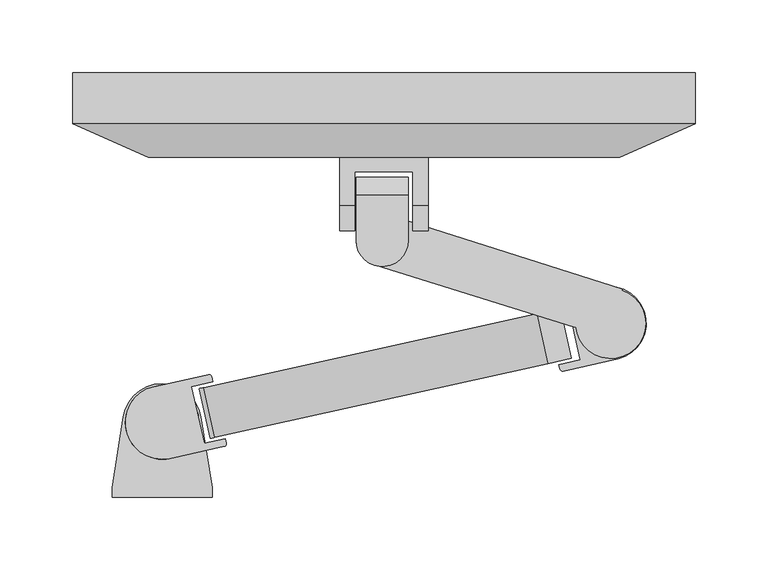
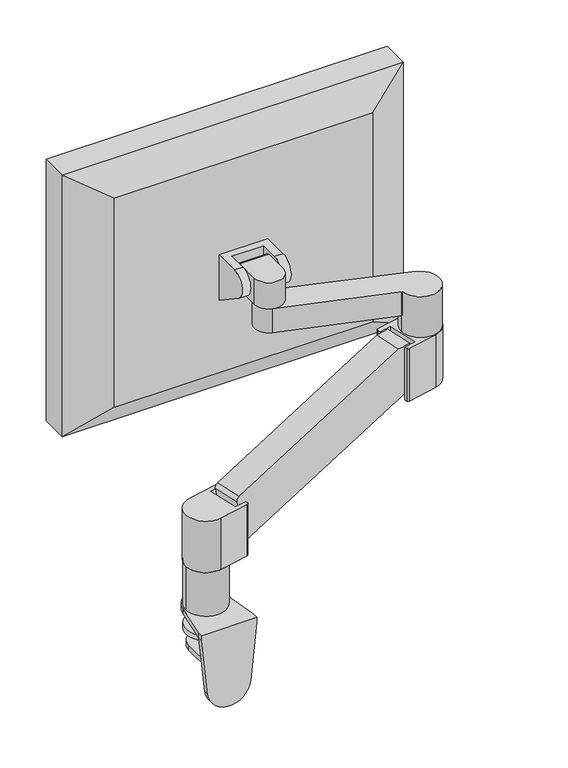
"""IFC4 building model written with IfcOpenShell, lengths in millimetres: furniture geometry."""

from ifc_helpers import new_model, si_unit, point, frame, frame_2d, origin, place, context, project, spatial, polyline, circle_curve, trimmed, segment, composite_curve, outline, extrude, faceted_brep, source, transform, mapped, element, save
from ifc_brep_helpers import plane_surface, cylinder_surface, advanced_brep


def furniture_77c8bb1c(model_context):
    return source(origin(), model_context, "Body", "SolidModel", [
        extrude(outline(polyline([(-44.1333255, 256.6286571), (-44.1333255, 274.0122003), (349.1946507, 274.0122003), (349.1946507, 256.6286571), (-44.1333255, 256.6286571)])), frame((0.0, 0.0, 871.6608416), z_axis=(0.0, 0.0, 1.0), x_axis=(1.0, 0.0, 0.0)), (0.0, 0.0, 1.0), 312.3235881),
        advanced_brep(
        [(169.1395731, 176.4515428, 1045.3114695), (169.1395731, 207.3400663, 1045.3114695), (133.2670216, 207.3400663, 1045.3114695), (133.2670216, 176.4515428, 1045.3114695), (133.2670216, 176.4515428, 1010.6477305), (133.2670216, 206.1304139, 1010.6477305), (169.1395731, 206.1304139, 1010.6477305), (169.1395731, 176.4515428, 1010.6477305)],
        [
            (0, 1),
            (1, 2),
            (2, 3),
            (3, 0, circle_curve(frame((151.2032973, 176.4515428, 1045.3114695), z_axis=(0.0, 0.0, 1.0), x_axis=(1.0, 0.0, 0.0)), 17.9362758)),
            (4, 5),
            (5, 6),
            (6, 7),
            (7, 4, circle_curve(frame((151.2032973, 176.4515428, 1010.6477305), z_axis=(0.0, 0.0, -1.0), x_axis=(1.0, 0.0, 0.0)), 17.9362758)),
            (6, 1, circle_curve(frame((169.1395731, 201.9173343, 1028.1477293), z_axis=(1.0, 0.0, 0.0), x_axis=(0.0, 1.0, 0.0)), 18.0)),
            (0, 7),
            (3, 4),
            (2, 5, circle_curve(frame((133.2670216, 201.9173343, 1028.1477293), z_axis=(-1.0, 0.0, 0.0), x_axis=(0.0, 1.0, 0.0)), 18.0)),
        ],
        [
            plane_surface(frame((133.2670216, 223.0031284, 1045.3114695), z_axis=(0.0, 0.0, 1.0), x_axis=(1.0, 0.0, 0.0))),
            plane_surface(frame((133.2670216, 223.0031284, 1010.6477305), z_axis=(0.0, 0.0, -1.0), x_axis=(-1.0, 0.0, 0.0))),
            plane_surface(frame((169.1395731, 223.0031284, 1045.3114695), z_axis=(1.0, 0.0, 0.0), x_axis=(0.0, 0.0, -1.0))),
            cylinder_surface(frame((151.2032973, 176.4515428, 1010.6477305), z_axis=(0.0, 0.0, 1.0), x_axis=(1.0, 0.0, 0.0)), 17.9362758),
            plane_surface(frame((133.2670216, 176.4515428, 1045.3114695), z_axis=(-1.0, 0.0, 0.0), x_axis=(0.0, 0.0, -1.0))),
            cylinder_surface(frame((-2.3e-06, 201.9173343, 1028.1477293), z_axis=(-1.0, 0.0, 0.0), x_axis=(0.0, 1.0, 0.0)), 18.0),
        ],
        [
            (0, [[1, 2, 3, 4]]),
            (1, [[5, 6, 7, 8]]),
            (2, [[-7, 9, -1, 10]]),
            (3, [[11, -8, -10, -4]]),
            (4, [[-3, 12, -5, -11]]),
            (5, [[-9, -6, -12, -2]]),
        ],
    ),
        advanced_brep(
        [(182.9563375, 200.470014, 1045.6477282), (182.9563375, 190.8257547, 1013.6176634), (182.9563375, 233.5899466, 985.2975052), (182.9563375, 233.5899466, 1045.6477282), (121.935618, 200.470014, 1045.6477282), (121.935618, 233.5899466, 1045.6477282), (121.935618, 233.5899466, 985.2975052), (121.935618, 190.8257547, 1013.6176634), (132.2754449, 200.470014, 1045.6477282), (132.2754449, 223.6495093, 1045.6477282), (172.2754449, 223.6495093, 1045.6477282), (172.2754449, 200.470014, 1045.6477282), (172.2754449, 190.8257547, 1013.6176634), (172.2754449, 223.6495093, 991.8804604), (132.2754449, 223.6495093, 991.8804604), (132.2754449, 190.8257547, 1013.6176634)],
        [
            (0, 1, circle_curve(frame((182.9563375, 200.470014, 1028.1807515), z_axis=(1.0, 0.0, 0.0), x_axis=(0.0, 1.0, 0.0)), 17.4669767)),
            (1, 2),
            (2, 3),
            (3, 0),
            (4, 5),
            (5, 6),
            (6, 7),
            (7, 4, circle_curve(frame((121.935618, 200.470014, 1028.1807515), z_axis=(-1.0, 0.0, 0.0), x_axis=(0.0, 1.0, 0.0)), 17.4669767)),
            (3, 5),
            (4, 8),
            (8, 9),
            (9, 10),
            (10, 11),
            (11, 0),
            (2, 6),
            (1, 12),
            (12, 13),
            (13, 14),
            (14, 15),
            (15, 7),
            (11, 12, circle_curve(frame((172.2754449, 200.470014, 1028.1807515), z_axis=(1.0, 0.0, 0.0), x_axis=(0.0, 1.0, 0.0)), 17.4669767)),
            (15, 8, circle_curve(frame((132.2754449, 200.470014, 1028.1807515), z_axis=(-1.0, 0.0, 0.0), x_axis=(0.0, 1.0, 0.0)), 17.4669767)),
            (10, 13),
            (14, 9),
        ],
        [
            plane_surface(frame((182.9563375, 234.7221306, 1045.6477282), z_axis=(1.0, 0.0, 0.0), x_axis=(0.0, 1.0, 0.0))),
            plane_surface(frame((121.935618, 234.7221306, 1045.6477282), z_axis=(-1.0, 0.0, 0.0), x_axis=(0.0, -1.0, 0.0))),
            plane_surface(frame((182.9563375, 200.470014, 1045.6477282), z_axis=(0.0, 0.0, 1.0), x_axis=(-1.0, 0.0, 0.0))),
            plane_surface(frame((182.9563375, 233.5899466, 1045.6477282), z_axis=(0.0, 1.0, 0.0), x_axis=(-1.0, 0.0, 0.0))),
            plane_surface(frame((182.9563375, 233.5899466, 985.2975052), z_axis=(0.0, -0.5521424538056785, -0.8337497890287255), x_axis=(-1.0, 0.0, 0.0))),
            cylinder_surface(frame((121.935618, 200.470014, 1028.1807515), z_axis=(1.0, 0.0, 0.0), x_axis=(0.0, 1.0, 0.0)), 17.4669767),
            plane_surface(frame((172.2754449, 223.6495093, 1083.7182666), z_axis=(-1.0, 0.0, 0.0), x_axis=(0.0, 0.0, -1.0))),
            plane_surface(frame((132.2754449, 178.6495093, 1083.7182666), z_axis=(1.0, 0.0, 0.0), x_axis=(0.0, 0.0, -1.0))),
            plane_surface(frame((132.2754449, 223.6495093, 1083.7182666), z_axis=(0.0, -1.0, 0.0), x_axis=(0.0, 0.0, -1.0))),
        ],
        [
            (0, [[1, 2, 3, 4]]),
            (1, [[5, 6, 7, 8]]),
            (2, [[9, -5, 10, 11, 12, 13, 14, -4]]),
            (3, [[15, -6, -9, -3]]),
            (4, [[16, 17, 18, 19, 20, -7, -15, -2]]),
            (5, [[-14, 21, -16, -1]]),
            (5, [[-20, 22, -10, -8]]),
            (6, [[-17, -21, -13, 23]]),
            (7, [[-11, -22, -19, 24]]),
            (8, [[-12, -24, -18, -23]]),
        ],
    ),
        advanced_brep(
        [(145.7812994, 159.6192317, 1010.6477305), (283.5004057, 116.6216152, 1010.6477305), (284.4042643, 117.3318424, 1010.6477305), (332.3843378, 119.3385852, 1010.6477305), (315.9664147, 142.1325084, 1010.6477305), (316.7165495, 142.7219436, 1010.6477305), (156.4933681, 193.6292716, 1010.6477305), (145.7812994, 159.6192317, 978.6477254), (156.4933681, 193.6292716, 978.6477254), (316.7165495, 142.7219436, 978.6477254), (315.9664147, 142.1325084, 978.6477254), (284.3203333, 119.3385852, 978.6477254), (284.4042643, 117.3318424, 978.6477254), (283.5004057, 116.6216152, 978.6477254), (284.3203333, 119.3385852, 956.6383946), (332.3843378, 119.3385852, 956.6383946)],
        [
            (0, 1),
            (1, 2),
            (2, 3, circle_curve(frame((308.3523355, 119.3385852, 1010.6477305), z_axis=(0.0, 0.0, 1.0), x_axis=(1.0, 0.0, 0.0)), 24.0320023)),
            (3, 4, circle_curve(frame((308.3523355, 119.3385852, 1010.6477305), z_axis=(0.0, 0.0, 1.0), x_axis=(1.0, 0.0, 0.0)), 24.0320023)),
            (4, 5),
            (5, 6),
            (6, 0, circle_curve(frame((151.0946731, 176.6376884, 1010.6477305), z_axis=(0.0, 0.0, 1.0), x_axis=(1.0, 0.0, 0.0)), 17.8286233)),
            (7, 8, circle_curve(frame((151.0946731, 176.6376884, 978.6477254), z_axis=(0.0, 0.0, -1.0), x_axis=(1.0, 0.0, 0.0)), 17.8286233)),
            (8, 9),
            (9, 10),
            (10, 11, circle_curve(frame((308.3523355, 119.3385852, 978.6477254), z_axis=(0.0, 0.0, 1.0), x_axis=(1.0, 0.0, 0.0)), 24.0320023)),
            (11, 12, circle_curve(frame((308.3523355, 119.3385852, 978.6477254), z_axis=(0.0, 0.0, 1.0), x_axis=(1.0, 0.0, 0.0)), 24.0320023)),
            (12, 13),
            (13, 7),
            (6, 8),
            (7, 0),
            (5, 9),
            (4, 10),
            (12, 2),
            (1, 13),
            (14, 15, circle_curve(frame((308.3523355, 119.3385852, 956.6383946), z_axis=(0.0, 0.0, -1.0), x_axis=(1.0, 0.0, 0.0)), 24.0320023)),
            (15, 14, circle_curve(frame((308.3523355, 119.3385852, 956.6383946), z_axis=(0.0, 0.0, -1.0), x_axis=(1.0, 0.0, 0.0)), 24.0320023)),
            (14, 11),
            (3, 15),
        ],
        [
            plane_surface(frame((168.9232963, 176.6376884, 1010.6477305), z_axis=(0.0, 0.0, 1.0), x_axis=(0.0, -1.0, 0.0))),
            plane_surface(frame((168.9232963, 176.6376884, 978.6477254), z_axis=(0.0, 0.0, -1.0), x_axis=(0.0, 1.0, 0.0))),
            cylinder_surface(frame((151.0946731, 176.6376884, 978.6477254), z_axis=(0.0, 0.0, 1.0), x_axis=(1.0, 0.0, 0.0)), 17.8286233),
            plane_surface(frame((156.4933681, 193.6292716, 1010.6477305), z_axis=(0.3028105419303104, 0.9530507728845677, 0.0), x_axis=(0.0, 0.0, -1.0))),
            plane_surface(frame((316.7165495, 142.7219436, 1010.6477305), z_axis=(0.6178497948843642, -0.7862961471108383, 0.0), x_axis=(0.0, 0.0, -1.0))),
            plane_surface(frame((283.5004057, 116.6216152, 1010.6477305), z_axis=(-0.2980249007404013, -0.954558095947373, 0.0), x_axis=(0.0, 0.0, -1.0))),
            plane_surface(frame((332.3843378, 119.3385852, 956.6383946), z_axis=(0.0, 0.0, -1.0), x_axis=(0.0, 1.0, 0.0))),
            cylinder_surface(frame((308.3523355, 119.3385852, 956.6383946), z_axis=(0.0, 0.0, 1.0), x_axis=(1.0, 0.0, 0.0)), 24.0320023),
        ],
        [
            (0, [[1, 2, 3, 4, 5, 6, 7]]),
            (1, [[8, 9, 10, 11, 12, 13, 14]]),
            (2, [[15, -8, 16, -7]]),
            (3, [[17, -9, -15, -6]]),
            (4, [[-5, 18, -10, -17]]),
            (4, [[-13, 19, -2, 20]]),
            (5, [[-16, -14, -20, -1]]),
            (6, [[21, 22]]),
            (7, [[23, -11, -18, -4, 24, -21]]),
            (7, [[-24, -3, -19, -12, -23, -22]]),
        ],
    ),
        extrude(outline(composite_curve([segment(trimmed(circle_curve(frame_2d((-249.1450548, 4.9378464)), 4.9378464), [point((-249.1450549, 0.0))], [point((-254.0828438, 4.961665))], False, "CARTESIAN"), True, "CONTINUOUS"), segment(polyline([(-254.0828438, 4.961665), (-263.7146924, 62.415542), (-4.98714, 62.4155258), (15.5329474, 5.6111415), (0.0, 0.0), (-249.1450549, 0.0)]), True, "CONTINUOUS")], self_intersect=False)), frame((265.0417441, 91.8149034, 956.3753161), z_axis=(-0.21638159381502303, 0.9763088680628024, 0.0), x_axis=(0.9182329294961059, 0.2035100891504185, 0.3397527495149792)), (0.0, 0.0, 1.0), 34.9999995),
        extrude(outline(composite_curve([segment(trimmed(circle_curve(frame_2d((307.3821478, 119.5657505)), 25.3111522), [point((301.9414766, 144.2852473))], [point((313.4538172, 94.9936269))], False, "CARTESIAN"), True, "CONTINUOUS"), segment(polyline([(313.4538172, 94.9936269), (275.8285549, 86.6546542)]), True, "CONTINUOUS"), segment(trimmed(circle_curve(frame_2d((275.3946523, 88.6124132)), 2.005266), [point((275.8285549, 86.6546542))], [point((273.4368934, 88.1785105))], False, "CARTESIAN"), True, "CONTINUOUS"), segment(polyline([(273.4368934, 88.1785105), (272.7888884, 91.1022937), (287.4335231, 94.3480183), (278.7782584, 133.4003733), (264.1336256, 130.1546492), (263.3514267, 133.6839123)]), True, "CONTINUOUS"), segment(trimmed(circle_curve(frame_2d((265.3040445, 134.1166756)), 2.0), [point((263.3514267, 133.6839123))], [point((264.8712812, 136.0692933))], False, "CARTESIAN"), True, "CONTINUOUS"), segment(polyline([(264.8712812, 136.0692933), (301.9414766, 144.2852473)]), True, "CONTINUOUS")], self_intersect=False)), frame((0.0, 0.0, 886.6477259), z_axis=(0.0, 0.0, 1.0), x_axis=(1.0, 0.0, 0.0)), (0.0, 0.0, 1.0), 69.9906687),
        extrude(outline(composite_curve([segment(polyline([(-5.5130543, 76.0123482), (31.5571414, 84.2283007)]), True, "CONTINUOUS"), segment(trimmed(circle_curve(frame_2d((31.9899046, 82.275683)), 2.0), [point((31.5571414, 84.2283007))], [point((33.9425223, 82.7084461))], False, "CARTESIAN"), True, "CONTINUOUS"), segment(polyline([(33.9425223, 82.7084461), (34.724721, 79.1791829), (20.080088, 75.9334593), (28.7353511, 36.8811039), (43.3799858, 40.1268279), (44.0279906, 37.2030446)]), True, "CONTINUOUS"), segment(trimmed(circle_curve(frame_2d((42.0702317, 36.769142)), 2.005266), [point((44.0279906, 37.2030446))], [point((42.5041344, 34.8113831))], False, "CARTESIAN"), True, "CONTINUOUS"), segment(polyline([(42.5041344, 34.8113831), (4.8788726, 26.472408)]), True, "CONTINUOUS"), segment(trimmed(circle_curve(frame_2d((-2.3e-06, 51.3088933)), 25.3111522), [point((4.8788726, 26.472408))], [point((-5.5130543, 76.0123482))], False, "CARTESIAN"), True, "CONTINUOUS")], self_intersect=False)), frame((0.0, 0.0, 795.000011), z_axis=(0.0, 0.0, 1.0), x_axis=(1.0, 0.0, 0.0)), (0.0, 0.0, 1.0), 68.0336423),
        extrude(outline(composite_curve([segment(trimmed(circle_curve(frame_2d((-2.3e-06, 51.3088933)), 25.2903664), [point((-25.2903687, 51.3088933))], [point((25.2903641, 51.3088933))], False, "CARTESIAN"), True, "CONTINUOUS"), segment(trimmed(circle_curve(frame_2d((-2.3e-06, 51.3088933)), 25.2903664), [point((25.2903641, 51.3088933))], [point((-25.2903687, 51.3088933))], False, "CARTESIAN"), True, "CONTINUOUS")], self_intersect=False)), frame((0.0, 0.0, 736.9802973), z_axis=(0.0, 0.0, 1.0), x_axis=(1.0, 0.0, 0.0)), (0.0, 0.0, 1.0), 58.0197137),
        advanced_brep(
        [(-2.3e-06, 26.4999984, 704.3925121), (-2.3e-06, 26.4999984, 710.8925133), (-2.3e-06, 76.4999993, 710.8925133), (-2.3e-06, 76.4999993, 704.3925121), (-2.3e-06, 44.7499991, 704.3925121), (-2.3e-06, 58.2499986, 704.3925121), (-2.3e-06, 44.7499991, 666.3925136), (-2.3e-06, 58.2499986, 666.3925136), (-2.3e-06, 51.4999988, 666.3925136), (-2.3e-06, 51.4999988, 710.8925133)],
        [
            (0, 1),
            (1, 2, circle_curve(frame((-2.3e-06, 51.4999988, 710.8925133), z_axis=(0.0, 0.0, -1.0), x_axis=(0.0, 1.0, 0.0)), 25.0000004)),
            (2, 3),
            (3, 0, circle_curve(frame((-2.3e-06, 51.4999988, 704.3925121), z_axis=(0.0, 0.0, 1.0), x_axis=(0.0, 1.0, 0.0)), 25.0000004)),
            (2, 1, circle_curve(frame((-2.3e-06, 51.4999988, 710.8925133), z_axis=(0.0, 0.0, -1.0), x_axis=(0.0, 1.0, 0.0)), 25.0000004)),
            (0, 3, circle_curve(frame((-2.3e-06, 51.4999988, 704.3925121), z_axis=(0.0, 0.0, 1.0), x_axis=(0.0, 1.0, 0.0)), 25.0000004)),
            (4, 0),
            (3, 5),
            (5, 4, circle_curve(frame((-2.3e-06, 51.4999988, 704.3925121), z_axis=(0.0, 0.0, 1.0), x_axis=(0.0, 1.0, 0.0)), 6.7499998)),
            (4, 5, circle_curve(frame((-2.3e-06, 51.4999988, 704.3925121), z_axis=(0.0, 0.0, 1.0), x_axis=(0.0, 1.0, 0.0)), 6.7499998)),
            (6, 4),
            (5, 7),
            (7, 6, circle_curve(frame((-2.3e-06, 51.4999988, 666.3925136), z_axis=(0.0, 0.0, 1.0), x_axis=(0.0, 1.0, 0.0)), 6.7499998)),
            (6, 7, circle_curve(frame((-2.3e-06, 51.4999988, 666.3925136), z_axis=(0.0, 0.0, 1.0), x_axis=(0.0, 1.0, 0.0)), 6.7499998)),
            (8, 6),
            (7, 8),
            (1, 9),
            (9, 2),
        ],
        [
            cylinder_surface(frame((-2.3e-06, 51.4999988, 666.3925136), z_axis=(0.0, 0.0, -1.0), x_axis=(0.0, 1.0, 0.0)), 25.0000004),
            plane_surface(frame((-2.3e-06, 51.4999988, 704.3925121), z_axis=(0.0, 0.0, -1.0), x_axis=(0.0, 1.0, 0.0))),
            cylinder_surface(frame((-2.3e-06, 51.4999988, 666.3925136), z_axis=(0.0, 0.0, -1.0), x_axis=(0.0, 1.0, 0.0)), 6.7499998),
            plane_surface(frame((-2.3e-06, 51.4999988, 666.3925136), z_axis=(0.0, 0.0, -1.0), x_axis=(0.0, 1.0, 0.0))),
            plane_surface(frame((-2.3e-06, 51.4999988, 710.8925133), z_axis=(0.0, 0.0, 1.0), x_axis=(0.0, 1.0, 0.0))),
        ],
        [
            (0, [[1, 2, 3, 4]]),
            (0, [[-3, 5, -1, 6]]),
            (1, [[7, -4, 8, 9]]),
            (1, [[-8, -6, -7, 10]]),
            (2, [[11, -9, 12, 13]]),
            (2, [[-12, -10, -11, 14]]),
            (3, [[15, -13, 16]]),
            (3, [[-16, -14, -15]]),
            (4, [[17, 18, -2]]),
            (4, [[-18, -17, -5]]),
        ],
    ),
        extrude(outline(composite_curve([segment(trimmed(circle_curve(frame_2d((659.0022551, -2.3e-06)), 8.5000148), [point((659.0022551, -8.5000171))], [point((659.0022551, 8.5000124))], False, "CARTESIAN"), True, "CONTINUOUS"), segment(trimmed(circle_curve(frame_2d((659.0022551, -2.3e-06)), 8.5000148), [point((659.0022551, 8.5000124))], [point((659.0022551, -8.5000171))], False, "CARTESIAN"), True, "CONTINUOUS")], self_intersect=False), holes=[polyline([(663.0022557, 2.3093987), (659.0022551, 4.6187998), (655.0022544, 2.3093987), (655.0022544, -2.3094034), (659.0022551, -4.6188044), (663.0022557, -2.3094034), (663.0022557, 2.3093987)])]), frame((0.0, 12.9999995, 0.0), z_axis=(0.0, 1.0, 0.0), x_axis=(0.0, 0.0, 1.0)), (0.0, 0.0, 1.0), 9.9999996),
        advanced_brep(
        [(-26.6606392, 55.2793753, 730.4802975), (26.6606346, 55.2793753, 730.4802975), (34.4999968, 6.4999947, 730.4802975), (-34.5000013, 6.4999956, 730.4802975), (-26.6606392, 55.2793753, 736.9802973), (-34.5000015, 6.4999947, 736.9802973), (-34.5000015, 0.0, 736.9802973), (34.4999968, 0.0, 736.9802973), (34.4999968, 6.4999947, 736.9802973), (26.6606346, 55.2793753, 736.9802973), (34.4999968, 0.0, 730.4802975), (-34.5000015, 0.0, 729.894481), (-26.8319184, 0.0, 655.9633387), (26.834356, 0.0, 655.9850595), (-34.5000015, 6.4999956, 729.894481), (26.834356, 6.4999956, 655.9850595), (-26.8319184, 6.4999956, 655.9633387)],
        [
            (0, 1, circle_curve(frame((-2.3e-06, 50.9947291, 730.4802975), z_axis=(0.0, 0.0, -1.0), x_axis=(1.0, 0.0, 0.0)), 27.0027361)),
            (1, 2),
            (2, 3),
            (3, 0),
            (4, 5),
            (5, 6),
            (6, 7),
            (7, 8),
            (8, 9),
            (9, 4, circle_curve(frame((-2.3e-06, 50.9947291, 736.9802973), z_axis=(0.0, 0.0, 1.0), x_axis=(1.0, 0.0, 0.0)), 27.0027361)),
            (0, 4),
            (9, 1),
            (8, 2),
            (7, 10),
            (10, 2),
            (6, 11),
            (11, 12),
            (12, 13, circle_curve(frame((9.68e-05, 0.0, 658.7463353), z_axis=(0.0, -1.0, 0.0), x_axis=(1.0, 0.0, 0.0)), 26.9759543)),
            (13, 10),
            (5, 3),
            (3, 14),
            (14, 11),
            (2, 15),
            (15, 16, circle_curve(frame((9.68e-05, 6.4999956, 658.7463353), z_axis=(0.0, 1.0, 0.0), x_axis=(1.0, 0.0, 0.0)), 26.9759543)),
            (16, 14),
            (13, 15),
            (12, 16),
        ],
        [
            plane_surface(frame((27.0027337, 50.9947291, 730.4802975), z_axis=(0.0, 0.0, -1.0), x_axis=(0.0, 1.0, 0.0))),
            plane_surface(frame((27.0027337, 50.9947291, 736.9802973), z_axis=(0.0, 0.0, 1.0), x_axis=(0.0, -1.0, 0.0))),
            cylinder_surface(frame((-2.3e-06, 50.9947291, 730.4802975), z_axis=(0.0, 0.0, 1.0), x_axis=(1.0, 0.0, 0.0)), 27.0027361),
            plane_surface(frame((26.6606346, 55.2793753, 736.9802973), z_axis=(0.9873309455436274, 0.15867452212603858, 0.0), x_axis=(0.0, 0.0, -1.0))),
            plane_surface(frame((34.4999968, 6.4999947, 736.9802973), z_axis=(1.0, 0.0, 0.0), x_axis=(0.0, 0.0, -1.0))),
            plane_surface(frame((34.4999968, 0.0, 736.9802973), z_axis=(0.0, -1.0, 0.0), x_axis=(0.0, 0.0, -1.0))),
            plane_surface(frame((-34.5000015, 0.0, 736.9802973), z_axis=(-1.0, 0.0, 0.0), x_axis=(0.0, 0.0, -1.0))),
            plane_surface(frame((-34.5000015, 6.4999947, 736.9802973), z_axis=(-0.9873309455436274, 0.15867452212603866, 0.0), x_axis=(0.0, 0.0, -1.0))),
            plane_surface(frame((34.4999968, 6.4999956, 736.9802973), z_axis=(0.0, 1.0, 0.0), x_axis=(0.0, 0.0, 1.0))),
            plane_surface(frame((34.4999968, 0.0, 730.4802601), z_axis=(0.994747355232937, 0.0, -0.10236063333663524), x_axis=(0.0, 1.0, 0.0))),
            cylinder_surface(frame((9.68e-05, 6.4999956, 658.7463353), z_axis=(0.0, -1.0, 0.0), x_axis=(1.0, 0.0, 0.0)), 26.9759543),
            plane_surface(frame((-26.8319184, 0.0, 655.9633387), z_axis=(-0.9946641705200557, 0.0, -0.10316582711174044), x_axis=(0.0, 1.0, 0.0))),
        ],
        [
            (0, [[1, 2, 3, 4]]),
            (1, [[5, 6, 7, 8, 9, 10]]),
            (2, [[11, -10, 12, -1]]),
            (3, [[-12, -9, 13, -2]]),
            (4, [[14, 15, -13, -8]]),
            (5, [[16, 17, 18, 19, -14, -7]]),
            (6, [[20, 21, 22, -16, -6]]),
            (7, [[-20, -5, -11, -4]]),
            (8, [[-21, -3, 23, 24, 25]]),
            (9, [[26, -23, -15, -19]]),
            (10, [[27, -24, -26, -18]]),
            (11, [[-22, -25, -27, -17]]),
        ],
    ),
        advanced_brep(
        [(20.9999974, 51.5514467, 681.5022682), (20.9999974, 12.9999995, 681.5022682), (-21.000002, 12.9999995, 681.5022682), (-21.000002, 51.5514467, 681.5022682), (20.9999974, 51.5514467, 688.0022706), (-21.000002, 51.5514467, 688.0022706), (-21.000002, 6.4999983, 688.0022706), (20.9999974, 6.4999983, 688.0022706), (-21.000002, 6.4999983, 658.9513573), (20.9999974, 6.4999983, 658.9513573), (-21.000002, 12.9999995, 658.9513573), (20.9999974, 12.9999995, 658.9513573)],
        [
            (0, 1),
            (1, 2),
            (2, 3),
            (3, 0, circle_curve(frame((-2.3e-06, 51.5514467, 681.5022682), z_axis=(0.0, 0.0, -1.0), x_axis=(1.0, 0.0, 0.0)), 20.9999997)),
            (4, 5, circle_curve(frame((-2.3e-06, 51.5514467, 688.0022706), z_axis=(0.0, 0.0, 1.0), x_axis=(1.0, 0.0, 0.0)), 20.9999997)),
            (5, 6),
            (6, 7),
            (7, 4),
            (6, 8),
            (8, 9, circle_curve(frame((-2.3e-06, 6.4999983, 658.9513573), z_axis=(0.0, -1.0, 0.0), x_axis=(1.0, 0.0, 0.0)), 20.9999997)),
            (9, 7),
            (5, 3),
            (2, 10),
            (10, 8),
            (4, 0),
            (9, 11),
            (11, 1),
            (11, 10, circle_curve(frame((-2.3e-06, 12.9999995, 658.9513573), z_axis=(0.0, 1.0, 0.0), x_axis=(1.0, 0.0, 0.0)), 20.9999997)),
        ],
        [
            plane_surface(frame((-21.000002, 6.4999983, 681.5022682), z_axis=(0.0, 0.0, -1.0), x_axis=(1.0, 0.0, 0.0))),
            plane_surface(frame((-21.000002, 6.4999983, 688.0022706), z_axis=(0.0, 0.0, 1.0), x_axis=(-1.0, 0.0, 0.0))),
            plane_surface(frame((20.9999974, 6.4999983, 688.0022706), z_axis=(0.0, -1.0, 0.0), x_axis=(0.0, 0.0, -1.0))),
            plane_surface(frame((-21.000002, 6.4999983, 688.0022706), z_axis=(-1.0, 0.0, 0.0), x_axis=(0.0, 0.0, -1.0))),
            cylinder_surface(frame((-2.3e-06, 51.5514467, 681.5022682), z_axis=(0.0, 0.0, 1.0), x_axis=(1.0, 0.0, 0.0)), 20.9999997),
            plane_surface(frame((20.9999974, 51.5514467, 688.0022706), z_axis=(1.0, 0.0, 0.0), x_axis=(0.0, 0.0, -1.0))),
            plane_surface(frame((-21.000002, 12.9999995, 688.0022592), z_axis=(0.0, 1.0, 0.0), x_axis=(0.0, 0.0, -1.0))),
            cylinder_surface(frame((-2.3e-06, 12.9999995, 658.9513573), z_axis=(0.0, -1.0, 0.0), x_axis=(1.0, 0.0, 0.0)), 20.9999997),
        ],
        [
            (0, [[1, 2, 3, 4]]),
            (1, [[5, 6, 7, 8]]),
            (2, [[9, 10, 11, -7]]),
            (3, [[-6, 12, -3, 13, 14, -9]]),
            (4, [[-12, -5, 15, -4]]),
            (5, [[16, 17, -1, -15, -8, -11]]),
            (6, [[-13, -2, -17, 18]]),
            (7, [[-14, -18, -16, -10]]),
        ],
    ),
        faceted_brep([(314.6363148, 233.5899466, 1166.3893454), (-9.7578272, 233.5899466, 1166.3893454), (-9.7578272, 233.5899466, 889.2559365), (314.6363148, 233.5899466, 889.2559365), (366.4814042, 256.6286571, 1201.3357598), (366.4814042, 256.6286571, 854.3095294), (-61.5168754, 256.6286571, 854.3095294), (-61.5168754, 256.6286571, 1201.3357598)], [[[0, 1, 2, 3]], [[4, 5, 6, 7]], [[4, 0, 3, 5]], [[5, 3, 2, 6]], [[6, 2, 1, 7]], [[7, 1, 0, 4]]]),
        extrude(outline(polyline([(1201.3357598, 366.4814042), (1201.3357598, -61.5168754), (854.3095294, -61.5168754), (854.3095294, 366.4814042), (1201.3357598, 366.4814042)]), holes=[polyline([(1183.9844297, 349.1946507), (871.6608416, 349.1946507), (871.6608416, -44.1333255), (1183.9844297, -44.1333255), (1183.9844297, 349.1946507)])]), frame((0.0, 256.6286571, 0.0), z_axis=(0.0, 1.0, 0.0), x_axis=(0.0, 0.0, 1.0)), (0.0, 0.0, 1.0), 35.0804233),
    ])


if __name__ == "__main__":
    model = new_model("IFC4")
    model_context = context("Model", 3, world=origin())
    ifc_project = project(units=[si_unit("LENGTHUNIT", "METRE", prefix="MILLI")], contexts=[model_context])
    site = spatial("IfcSite", under=ifc_project)
    building = spatial("IfcBuilding", under=site)
    placement = place(None, origin())
    furniture_shape = furniture_77c8bb1c(model_context)
    element("IfcFurniture", 1, at=placement, inside=building, context=model_context, shape_type="MappedRepresentation", body=[
        mapped(furniture_shape, transform((0.0, 0.0, 0.0), x_axis=(1.0, 0.0, 0.0), y_axis=(0.0, 1.0, 0.0), z_axis=(0.0, 0.0, 1.0))),
    ])
    save(model, "model.ifc")
